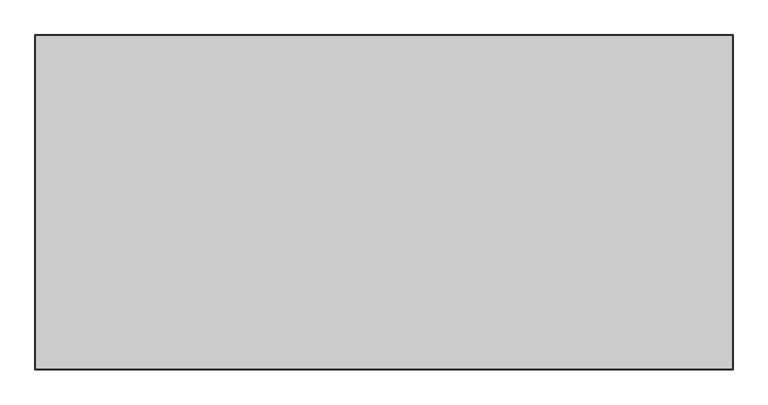
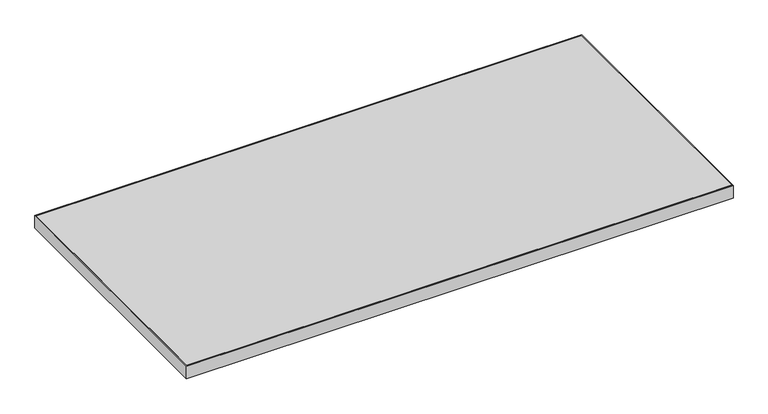
"""IFC4 building model written with IfcOpenShell, lengths in millimetres: furniture geometry."""

import ifcopenshell
import ifcopenshell.guid

model = None  # the IFC model being written
_history = None  # IfcOwnerHistory: only IFC2X3 demands one
_inside = {}  # id of a spatial element -> (the spatial element, [elements in it])
_under = {}  # id of a project, library or spatial element -> (it, [spatial elements below it])
_declared = {}  # id of a project -> (the project, [libraries it declares])
_typed = {}  # id of a type object -> (the type object, [elements of that type])
_made_of = {}  # id of a material, layer set ... -> (it, [elements and type objects made of it])


def new_model(schema):
    """Start an empty IFC model of exactly this schema.

    Asked for "IFC4X3", IfcOpenShell would pick the latest addendum, in which some entities
    have other attributes; the version numbers below select the first issue.
    IFC2X3 requires an IfcOwnerHistory on every rooted entity: one is made here for all.
    """
    global model, _history
    if schema == "IFC4X3":
        model = ifcopenshell.file(schema_version=(4, 3, 0, 0))
    else:
        model = ifcopenshell.file(schema=schema)
    _inside.clear()
    _under.clear()
    _declared.clear()
    _typed.clear()
    _made_of.clear()
    _history = None
    if model.schema == "IFC2X3":
        org = make("IfcOrganization", Name="unknown")
        user = make(
            "IfcPersonAndOrganization",
            ThePerson=make("IfcPerson", FamilyName="unknown"),
            TheOrganization=org,
        )
        app = make(
            "IfcApplication",
            ApplicationDeveloper=org,
            Version="unknown",
            ApplicationFullName="unknown",
            ApplicationIdentifier="unknown",
        )
        _history = make(
            "IfcOwnerHistory",
            OwningUser=user,
            OwningApplication=app,
            ChangeAction="ADDED",
            CreationDate=0,
        )
    return model


def make(cls, **values):
    """One entity of the class cls with the attributes given. An attribute that is None is left unset."""
    return model.create_entity(
        cls, **{name: value for name, value in values.items() if value is not None}
    )


def rooted(cls, **values):
    """An entity with a GlobalId (a new one), such as an element, a storey or a relation."""
    return make(cls, GlobalId=ifcopenshell.guid.new(), OwnerHistory=_history, **values)


def si_unit(unit_type, name, prefix=None):
    """IfcSIUnit, for example si_unit("LENGTHUNIT", "METRE", prefix="MILLI")."""
    return make("IfcSIUnit", UnitType=unit_type, Prefix=prefix, Name=name)


def assignment(units):
    """IfcUnitAssignment: the units of a project."""
    return None if units is None else make("IfcUnitAssignment", Units=units)


def point(xyz):
    """IfcCartesianPoint."""
    return None if xyz is None else make("IfcCartesianPoint", Coordinates=xyz)


def direction(xyz):
    """IfcDirection."""
    return None if xyz is None else make("IfcDirection", DirectionRatios=xyz)


def frame(location, z_axis=None, x_axis=None):
    """IfcAxis2Placement3D, a coordinate frame: its origin and axes. An axis left out is left unset."""
    return make(
        "IfcAxis2Placement3D",
        Location=point(location),
        Axis=direction(z_axis),
        RefDirection=direction(x_axis),
    )


def origin():
    """The frame at (0, 0, 0) with its axes left unset."""
    return frame((0.0, 0.0, 0.0))


def place(relative_to, where):
    """IfcLocalPlacement: puts the frame where relative to a parent placement (None: the world)."""
    return make(
        "IfcLocalPlacement", PlacementRelTo=relative_to, RelativePlacement=where
    )


def context(
    kind, dimensions, precision=None, world=None, true_north=None, identifier=None
):
    """IfcGeometricRepresentationContext, for example the 3D "Model" context."""
    return make(
        "IfcGeometricRepresentationContext",
        ContextIdentifier=identifier,
        ContextType=kind,
        CoordinateSpaceDimension=dimensions,
        Precision=precision,
        WorldCoordinateSystem=world,
        TrueNorth=true_north,
    )


def project(units=None, contexts=None):
    """IfcProject with its units and contexts."""
    return rooted(
        "IfcProject",
        Name="project",
        RepresentationContexts=contexts,
        UnitsInContext=assignment(units),
    )


def spatial(cls, under=None, at=None, **own):
    """A site, building, storey or space (cls), placed at a placement, below another one or the project."""
    s = rooted(cls, ObjectPlacement=at, **own)
    if under is not None:
        _under.setdefault(under.id(), (under, []))[1].append(s)
    return s


def polyline(points):
    """IfcPolyline through the points."""
    return make("IfcPolyline", Points=[point(p) for p in points])


def outline(outer, holes=None, kind="AREA"):
    """IfcArbitraryClosedProfileDef: a profile drawn as a closed curve; with holes, ...WithVoids."""
    if holes is None:
        return make("IfcArbitraryClosedProfileDef", ProfileType=kind, OuterCurve=outer)
    return make(
        "IfcArbitraryProfileDefWithVoids",
        ProfileType=kind,
        OuterCurve=outer,
        InnerCurves=holes,
    )


def extrude(swept, where, along, depth):
    """IfcExtrudedAreaSolid: the profile swept, set in the frame where, extruded along a direction by depth."""
    return make(
        "IfcExtrudedAreaSolid",
        SweptArea=swept,
        Position=where,
        ExtrudedDirection=direction(along),
        Depth=depth,
    )


def shape(context_of_items, identifier, shape_type, items):
    """IfcShapeRepresentation: the items that make up one representation, for example the "Body"."""
    return make(
        "IfcShapeRepresentation",
        ContextOfItems=context_of_items,
        RepresentationIdentifier=identifier,
        RepresentationType=shape_type,
        Items=items,
    )


def source(mapping_origin, context_of_items, identifier, shape_type, items):
    """IfcRepresentationMap: a shape defined once, which mapped items show again and again."""
    return make(
        "IfcRepresentationMap",
        MappingOrigin=mapping_origin,
        MappedRepresentation=shape(context_of_items, identifier, shape_type, items),
    )


def transform(
    local_origin,
    x_axis=None,
    y_axis=None,
    z_axis=None,
    scale=None,
    scale2=None,
    scale3=None,
    uniform=True,
):
    """IfcCartesianTransformationOperator3D, or its non-uniform kind. x_axis, y_axis, z_axis: its Axis1, 2, 3."""
    if uniform:
        return make(
            "IfcCartesianTransformationOperator3D",
            Axis1=direction(x_axis),
            Axis2=direction(y_axis),
            LocalOrigin=point(local_origin),
            Scale=scale,
            Axis3=direction(z_axis),
        )
    return make(
        "IfcCartesianTransformationOperator3DnonUniform",
        Axis1=direction(x_axis),
        Axis2=direction(y_axis),
        LocalOrigin=point(local_origin),
        Scale=scale,
        Axis3=direction(z_axis),
        Scale2=scale2,
        Scale3=scale3,
    )


def mapped(mapping_source, mapping_target):
    """IfcMappedItem: shows the shape of a source again, moved by a transform."""
    return make(
        "IfcMappedItem", MappingSource=mapping_source, MappingTarget=mapping_target
    )


def made_of(thing, what):
    """Note that an element or type object is made of a material, layer set ...; save() writes the relation."""
    if what is not None:
        _made_of.setdefault(what.id(), (what, []))[1].append(thing)
    return thing


def element(
    cls,
    number,
    at=None,
    inside=None,
    cuts=None,
    type_object=None,
    material=None,
    context=None,
    identifier="Body",
    shape_type=None,
    held_by="IfcProductDefinitionShape",
    body=None,
    shapes=None,
    **own,
):
    """One element of the class cls, such as IfcWall. Its Tag is "e" and its number.

    at: its placement. inside: the storey or other place that contains it. cuts: it is an
    opening in that element (IfcRelVoidsElement). A single representation is given by context,
    identifier, shape_type and body (its items); several are given by shapes. held_by: the class
    of the entity that holds the representations. save() writes the other relations.
    """
    e = rooted(cls, Tag="e%d" % number, ObjectPlacement=at, **own)
    if body is not None:
        shapes = [shape(context, identifier, shape_type, body)]
    if shapes is not None:
        e.Representation = make(held_by, Representations=shapes)
    if inside is not None:
        _inside.setdefault(inside.id(), (inside, []))[1].append(e)
    if cuts is not None:
        rooted(
            "IfcRelVoidsElement", RelatingBuildingElement=cuts, RelatedOpeningElement=e
        )
    if type_object is not None:
        _typed.setdefault(type_object.id(), (type_object, []))[1].append(e)
    return made_of(e, material)


def aggregate(whole, parts):
    """IfcRelAggregates: a whole, such as a stair, and the parts it consists of."""
    return rooted("IfcRelAggregates", RelatingObject=whole, RelatedObjects=parts)


def save(model, path):
    """Write the relations noted so far, then the file.

    IfcRelAggregates (storeys below a building ...), IfcRelContainedInSpatialStructure (elements
    in a storey), IfcRelDefinesByType, IfcRelAssociatesMaterial and IfcRelDeclares: one each for
    every whole, place, type object, material and project.
    """
    for whole, parts in _under.values():
        aggregate(whole, parts)
    for where, things in _inside.values():
        rooted(
            "IfcRelContainedInSpatialStructure",
            RelatedElements=things,
            RelatingStructure=where,
        )
    for kind, things in _typed.values():
        rooted("IfcRelDefinesByType", RelatedObjects=things, RelatingType=kind)
    for what, things in _made_of.values():
        rooted("IfcRelAssociatesMaterial", RelatedObjects=things, RelatingMaterial=what)
    for by, libraries in _declared.values():
        rooted("IfcRelDeclares", RelatingContext=by, RelatedDefinitions=libraries)
    model.write(path)


def furniture_ce53a69f(model_context):
    return source(origin(), model_context, "Body", "SweptSolid", [
        extrude(outline(polyline([(751.9273996, 176.2916812), (-461.0242004, 176.2916812), (-461.0242004, 757.2912812), (751.9273996, 757.2912812), (751.9273996, 176.2916812)])), frame((0.0, 0.0, 707.0328125), z_axis=(0.0, 0.0, 1.0), x_axis=(1.0, 0.0, 0.0)), (0.0, 0.0, 1.0), 29.5671875),
        extrude(outline(polyline([(753.5148996, 758.8787812), (753.5148996, 174.7041812), (-462.6117004, 174.7041812), (-462.6117004, 758.8787812), (753.5148996, 758.8787812)]), holes=[polyline([(-461.0242004, 757.2912812), (-461.0242004, 176.2916812), (751.9273996, 176.2916812), (751.9273996, 757.2912812), (-461.0242004, 757.2912812)])]), frame((0.0, 0.0, 707.009), z_axis=(0.0, 0.0, 1.0), x_axis=(1.0, 0.0, 0.0)), (0.0, 0.0, 1.0), 29.591),
    ])


if __name__ == "__main__":
    model = new_model("IFC4")
    model_context = context("Model", 3, world=origin())
    ifc_project = project(units=[si_unit("LENGTHUNIT", "METRE", prefix="MILLI")], contexts=[model_context])
    site = spatial("IfcSite", under=ifc_project)
    building = spatial("IfcBuilding", under=site)
    placement = place(None, origin())
    furniture_shape = furniture_ce53a69f(model_context)
    element("IfcFurniture", 1, at=placement, inside=building, context=model_context, shape_type="MappedRepresentation", body=[
        mapped(furniture_shape, transform((0.0, 0.0, 0.0), x_axis=(1.0, 0.0, 0.0), y_axis=(0.0, 1.0, 0.0), z_axis=(0.0, 0.0, 1.0))),
    ])
    save(model, "model.ifc")
